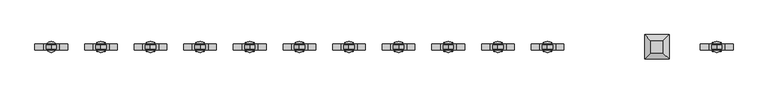
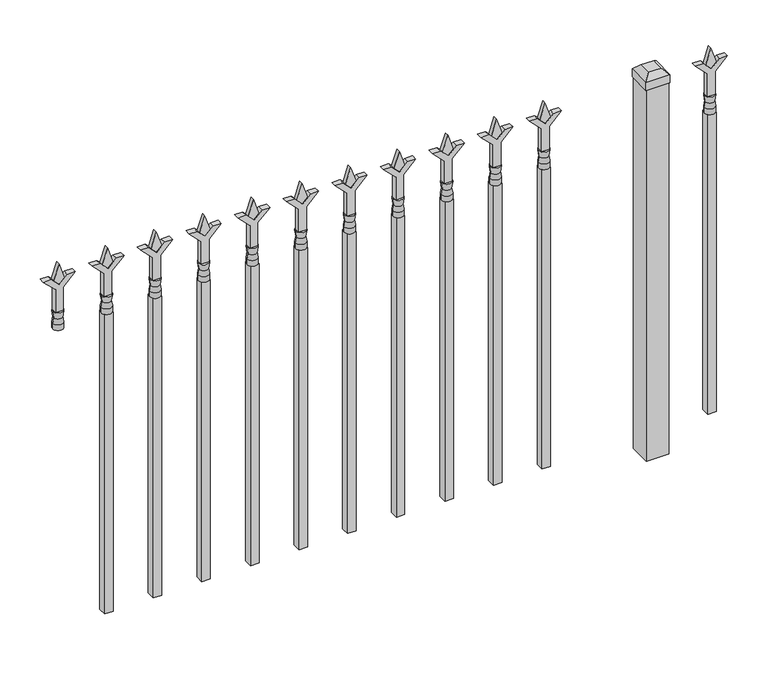
"""IFC4 building model written with IfcOpenShell, lengths in millimetres: railing geometry."""

from ifc_helpers import new_model, si_unit, frame, origin, origin_with_axes, place, context, project, spatial, polyline, circle_curve, outline, extrude, faceted_brep, source, transform, mapped, element, save
from ifc_brep_helpers import plane_surface, cylinder_surface, revolved_surface, advanced_brep


def railing_8058bad1(model_context):
    return source(origin(), model_context, "Body", "SolidModel", [
        extrude(outline(polyline([(878.68125, -90081.449337), (914.4, -90093.355587), (878.68125, -90105.261837), (866.775, -90093.355587), (878.68125, -90081.449337)])), frame((0.0, 5455.9804826, 0.0), z_axis=(0.0, 1.0, 0.0), x_axis=(0.0, 0.0, 1.0)), (0.0, 0.0, 1.0), 9.525),
        extrude(outline(polyline([(803.275, -90084.624337), (857.5457378, -90084.624337), (884.7355122, -90057.4345625), (884.7355122, -90075.3950747), (866.775, -90093.355587), (884.7355122, -90111.3160992), (884.7355122, -90129.2766114), (857.5457378, -90102.086837), (803.275, -90102.086837), (803.275, -90084.624337)])), frame((0.0, 5454.3929826, 0.0), z_axis=(0.0, 1.0, 0.0), x_axis=(0.0, 0.0, 1.0)), (0.0, 0.0, 1.0), 12.7),
        advanced_brep(
        [(-90081.449337, 5460.7429826, 774.7), (-90105.261837, 5460.7429826, 774.7), (-90105.261837, 5460.7429826, 762.0), (-90081.449337, 5460.7429826, 762.0), (-90083.6546688, 5460.7429826, 787.2070585), (-90103.0565051, 5460.7429826, 787.2070585), (-90081.449337, 5460.7429826, 803.275), (-90105.261837, 5460.7429826, 803.275), (-90093.355587, 5460.7429826, 803.275), (-90093.355587, 5460.7429826, 762.0)],
        [
            (0, 1, circle_curve(frame((-90093.355587, 5460.7429826, 774.7), z_axis=(0.0, 0.0, -1.0), x_axis=(-1.0, 0.0, 0.0)), 11.90625)),
            (1, 2),
            (2, 3, circle_curve(frame((-90093.355587, 5460.7429826, 762.0), z_axis=(0.0, 0.0, 1.0), x_axis=(-1.0, 0.0, 0.0)), 11.90625)),
            (3, 0),
            (1, 0, circle_curve(frame((-90093.355587, 5460.7429826, 774.7), z_axis=(0.0, 0.0, -1.0), x_axis=(-1.0, 0.0, 0.0)), 11.90625)),
            (3, 2, circle_curve(frame((-90093.355587, 5460.7429826, 762.0), z_axis=(0.0, 0.0, 1.0), x_axis=(-1.0, 0.0, 0.0)), 11.90625)),
            (4, 5, circle_curve(frame((-90093.355587, 5460.7429826, 787.2070585), z_axis=(0.0, 0.0, -1.0), x_axis=(-1.0, 0.0, 0.0)), 9.7009181)),
            (5, 1),
            (0, 4),
            (5, 4, circle_curve(frame((-90093.355587, 5460.7429826, 787.2070585), z_axis=(0.0, 0.0, -1.0), x_axis=(-1.0, 0.0, 0.0)), 9.7009181)),
            (6, 7, circle_curve(frame((-90093.355587, 5460.7429826, 803.275), z_axis=(0.0, 0.0, -1.0), x_axis=(-1.0, 0.0, 0.0)), 11.90625)),
            (7, 5),
            (4, 6),
            (7, 6, circle_curve(frame((-90093.355587, 5460.7429826, 803.275), z_axis=(0.0, 0.0, -1.0), x_axis=(-1.0, 0.0, 0.0)), 11.90625)),
            (8, 7),
            (6, 8),
            (2, 9),
            (9, 3),
        ],
        [
            cylinder_surface(frame((-90093.355587, 5460.7429826, 762.0), z_axis=(0.0, 0.0, 1.0), x_axis=(-1.0, 0.0, 0.0)), 11.90625),
            revolved_surface(polyline([(-90105.261837, 5460.7429826, 774.7), (-90103.0565051, 5460.7429826, 787.2070585)]), (-90093.355587, 5460.7429826, 762.0), (0.0, 0.0, 1.0)),
            revolved_surface(polyline([(-90103.0565051, 5460.7429826, 787.2070585), (-90105.261837, 5460.7429826, 803.275)]), (-90093.355587, 5460.7429826, 762.0), (0.0, 0.0, 1.0)),
            plane_surface(frame((-90093.355587, 5460.7429826, 803.275), z_axis=(0.0, 0.0, 1.0), x_axis=(-1.0, 0.0, 0.0))),
            plane_surface(frame((-90093.355587, 5460.7429826, 762.0), z_axis=(0.0, 0.0, -1.0), x_axis=(-1.0, 0.0, 0.0))),
        ],
        [
            (0, [[1, 2, 3, 4]]),
            (0, [[5, -4, 6, -2]]),
            (1, [[7, 8, -1, 9]]),
            (1, [[10, -9, -5, -8]]),
            (2, [[11, 12, -7, 13]]),
            (2, [[14, -13, -10, -12]]),
            (3, [[15, -11, 16]]),
            (3, [[-16, -14, -15]]),
            (4, [[-3, 17, 18]]),
            (4, [[-6, -18, -17]]),
        ],
    ),
        extrude(outline(polyline([(-90102.880587, 5470.2679826), (-90083.830587, 5470.2679826), (-90083.830587, 5451.2179826), (-90102.880587, 5451.2179826), (-90102.880587, 5470.2679826)])), frame((0.0, 0.0, 50.8), z_axis=(0.0, 0.0, 1.0), x_axis=(1.0, 0.0, 0.0)), (0.0, 0.0, 1.0), 711.2),
        faceted_brep([(-90252.105587, 5487.7304826, 901.7), (-90252.105587, 5487.7304826, 882.65), (-90252.105587, 5433.7554826, 882.65), (-90252.105587, 5433.7554826, 901.7), (-90239.405587, 5475.0304826, 914.4), (-90239.405587, 5446.4554826, 914.4), (-90198.130587, 5433.7554826, 882.65), (-90198.130587, 5433.7554826, 901.7), (-90210.830587, 5446.4554826, 914.4), (-90198.130587, 5487.7304826, 882.65), (-90198.130587, 5487.7304826, 901.7), (-90210.830587, 5475.0304826, 914.4)], [[[0, 1, 2, 3]], [[4, 0, 3, 5]], [[3, 2, 6, 7]], [[5, 3, 7, 8]], [[7, 6, 9, 10]], [[8, 7, 10, 11]], [[10, 9, 1, 0]], [[11, 10, 0, 4]], [[5, 8, 11, 4]], [[1, 9, 6, 2]]]),
        extrude(outline(polyline([(-90199.718087, 5486.1429826), (-90199.718087, 5435.3429826), (-90250.518087, 5435.3429826), (-90250.518087, 5486.1429826), (-90199.718087, 5486.1429826)])), origin_with_axes(), (0.0, 0.0, 1.0), 882.65),
        extrude(outline(polyline([(878.68125, -90454.2472536), (914.4, -90466.1535036), (878.68125, -90478.0597536), (866.775, -90466.1535036), (878.68125, -90454.2472536)])), frame((0.0, 5455.9804826, 0.0), z_axis=(0.0, 1.0, 0.0), x_axis=(0.0, 0.0, 1.0)), (0.0, 0.0, 1.0), 9.525),
        extrude(outline(polyline([(803.275, -90457.4222536), (857.5457378, -90457.4222536), (884.7355122, -90430.2324791), (884.7355122, -90448.1929914), (866.775, -90466.1535036), (884.7355122, -90484.1140159), (884.7355122, -90502.0745281), (857.5457378, -90474.8847536), (803.275, -90474.8847536), (803.275, -90457.4222536)])), frame((0.0, 5454.3929826, 0.0), z_axis=(0.0, 1.0, 0.0), x_axis=(0.0, 0.0, 1.0)), (0.0, 0.0, 1.0), 12.7),
        advanced_brep(
        [(-90454.2472536, 5460.7429826, 774.7), (-90478.0597536, 5460.7429826, 774.7), (-90478.0597536, 5460.7429826, 762.0), (-90454.2472536, 5460.7429826, 762.0), (-90456.4525855, 5460.7429826, 787.2070585), (-90475.8544218, 5460.7429826, 787.2070585), (-90454.2472536, 5460.7429826, 803.275), (-90478.0597536, 5460.7429826, 803.275), (-90466.1535036, 5460.7429826, 803.275), (-90466.1535036, 5460.7429826, 762.0)],
        [
            (0, 1, circle_curve(frame((-90466.1535036, 5460.7429826, 774.7), z_axis=(0.0, 0.0, -1.0), x_axis=(-1.0, 0.0, 0.0)), 11.90625)),
            (1, 2),
            (2, 3, circle_curve(frame((-90466.1535036, 5460.7429826, 762.0), z_axis=(0.0, 0.0, 1.0), x_axis=(-1.0, 0.0, 0.0)), 11.90625)),
            (3, 0),
            (1, 0, circle_curve(frame((-90466.1535036, 5460.7429826, 774.7), z_axis=(0.0, 0.0, -1.0), x_axis=(-1.0, 0.0, 0.0)), 11.90625)),
            (3, 2, circle_curve(frame((-90466.1535036, 5460.7429826, 762.0), z_axis=(0.0, 0.0, 1.0), x_axis=(-1.0, 0.0, 0.0)), 11.90625)),
            (4, 5, circle_curve(frame((-90466.1535036, 5460.7429826, 787.2070585), z_axis=(0.0, 0.0, -1.0), x_axis=(-1.0, 0.0, 0.0)), 9.7009181)),
            (5, 1),
            (0, 4),
            (5, 4, circle_curve(frame((-90466.1535036, 5460.7429826, 787.2070585), z_axis=(0.0, 0.0, -1.0), x_axis=(-1.0, 0.0, 0.0)), 9.7009181)),
            (6, 7, circle_curve(frame((-90466.1535036, 5460.7429826, 803.275), z_axis=(0.0, 0.0, -1.0), x_axis=(-1.0, 0.0, 0.0)), 11.90625)),
            (7, 5),
            (4, 6),
            (7, 6, circle_curve(frame((-90466.1535036, 5460.7429826, 803.275), z_axis=(0.0, 0.0, -1.0), x_axis=(-1.0, 0.0, 0.0)), 11.90625)),
            (8, 7),
            (6, 8),
            (2, 9),
            (9, 3),
        ],
        [
            cylinder_surface(frame((-90466.1535036, 5460.7429826, 762.0), z_axis=(0.0, 0.0, 1.0), x_axis=(-1.0, 0.0, 0.0)), 11.90625),
            revolved_surface(polyline([(-90478.0597536, 5460.7429826, 774.7), (-90475.8544218, 5460.7429826, 787.2070585)]), (-90466.1535036, 5460.7429826, 762.0), (0.0, 0.0, 1.0)),
            revolved_surface(polyline([(-90475.8544218, 5460.7429826, 787.2070585), (-90478.0597536, 5460.7429826, 803.275)]), (-90466.1535036, 5460.7429826, 762.0), (0.0, 0.0, 1.0)),
            plane_surface(frame((-90466.1535036, 5460.7429826, 803.275), z_axis=(0.0, 0.0, 1.0), x_axis=(-1.0, 0.0, 0.0))),
            plane_surface(frame((-90466.1535036, 5460.7429826, 762.0), z_axis=(0.0, 0.0, -1.0), x_axis=(-1.0, 0.0, 0.0))),
        ],
        [
            (0, [[1, 2, 3, 4]]),
            (0, [[5, -4, 6, -2]]),
            (1, [[7, 8, -1, 9]]),
            (1, [[10, -9, -5, -8]]),
            (2, [[11, 12, -7, 13]]),
            (2, [[14, -13, -10, -12]]),
            (3, [[15, -11, 16]]),
            (3, [[-16, -14, -15]]),
            (4, [[-3, 17, 18]]),
            (4, [[-6, -18, -17]]),
        ],
    ),
        extrude(outline(polyline([(-90475.6785036, 5470.2679826), (-90456.6285036, 5470.2679826), (-90456.6285036, 5451.2179826), (-90475.6785036, 5451.2179826), (-90475.6785036, 5470.2679826)])), frame((0.0, 0.0, 50.8), z_axis=(0.0, 0.0, 1.0), x_axis=(1.0, 0.0, 0.0)), (0.0, 0.0, 1.0), 711.2),
        extrude(outline(polyline([(878.68125, -90563.5201703), (914.4, -90575.4264203), (878.68125, -90587.3326703), (866.775, -90575.4264203), (878.68125, -90563.5201703)])), frame((0.0, 5455.9804826, 0.0), z_axis=(0.0, 1.0, 0.0), x_axis=(0.0, 0.0, 1.0)), (0.0, 0.0, 1.0), 9.525),
        extrude(outline(polyline([(803.275, -90566.6951703), (857.5457378, -90566.6951703), (884.7355122, -90539.5053958), (884.7355122, -90557.4659081), (866.775, -90575.4264203), (884.7355122, -90593.3869325), (884.7355122, -90611.3474448), (857.5457378, -90584.1576703), (803.275, -90584.1576703), (803.275, -90566.6951703)])), frame((0.0, 5454.3929826, 0.0), z_axis=(0.0, 1.0, 0.0), x_axis=(0.0, 0.0, 1.0)), (0.0, 0.0, 1.0), 12.7),
        advanced_brep(
        [(-90563.5201703, 5460.7429826, 774.7), (-90587.3326703, 5460.7429826, 774.7), (-90587.3326703, 5460.7429826, 762.0), (-90563.5201703, 5460.7429826, 762.0), (-90565.7255022, 5460.7429826, 787.2070585), (-90585.1273384, 5460.7429826, 787.2070585), (-90563.5201703, 5460.7429826, 803.275), (-90587.3326703, 5460.7429826, 803.275), (-90575.4264203, 5460.7429826, 803.275), (-90575.4264203, 5460.7429826, 762.0)],
        [
            (0, 1, circle_curve(frame((-90575.4264203, 5460.7429826, 774.7), z_axis=(0.0, 0.0, -1.0), x_axis=(-1.0, 0.0, 0.0)), 11.90625)),
            (1, 2),
            (2, 3, circle_curve(frame((-90575.4264203, 5460.7429826, 762.0), z_axis=(0.0, 0.0, 1.0), x_axis=(-1.0, 0.0, 0.0)), 11.90625)),
            (3, 0),
            (1, 0, circle_curve(frame((-90575.4264203, 5460.7429826, 774.7), z_axis=(0.0, 0.0, -1.0), x_axis=(-1.0, 0.0, 0.0)), 11.90625)),
            (3, 2, circle_curve(frame((-90575.4264203, 5460.7429826, 762.0), z_axis=(0.0, 0.0, 1.0), x_axis=(-1.0, 0.0, 0.0)), 11.90625)),
            (4, 5, circle_curve(frame((-90575.4264203, 5460.7429826, 787.2070585), z_axis=(0.0, 0.0, -1.0), x_axis=(-1.0, 0.0, 0.0)), 9.7009181)),
            (5, 1),
            (0, 4),
            (5, 4, circle_curve(frame((-90575.4264203, 5460.7429826, 787.2070585), z_axis=(0.0, 0.0, -1.0), x_axis=(-1.0, 0.0, 0.0)), 9.7009181)),
            (6, 7, circle_curve(frame((-90575.4264203, 5460.7429826, 803.275), z_axis=(0.0, 0.0, -1.0), x_axis=(-1.0, 0.0, 0.0)), 11.90625)),
            (7, 5),
            (4, 6),
            (7, 6, circle_curve(frame((-90575.4264203, 5460.7429826, 803.275), z_axis=(0.0, 0.0, -1.0), x_axis=(-1.0, 0.0, 0.0)), 11.90625)),
            (8, 7),
            (6, 8),
            (2, 9),
            (9, 3),
        ],
        [
            cylinder_surface(frame((-90575.4264203, 5460.7429826, 762.0), z_axis=(0.0, 0.0, 1.0), x_axis=(-1.0, 0.0, 0.0)), 11.90625),
            revolved_surface(polyline([(-90587.3326703, 5460.7429826, 774.7), (-90585.1273384, 5460.7429826, 787.2070585)]), (-90575.4264203, 5460.7429826, 762.0), (0.0, 0.0, 1.0)),
            revolved_surface(polyline([(-90585.1273384, 5460.7429826, 787.2070585), (-90587.3326703, 5460.7429826, 803.275)]), (-90575.4264203, 5460.7429826, 762.0), (0.0, 0.0, 1.0)),
            plane_surface(frame((-90575.4264203, 5460.7429826, 803.275), z_axis=(0.0, 0.0, 1.0), x_axis=(-1.0, 0.0, 0.0))),
            plane_surface(frame((-90575.4264203, 5460.7429826, 762.0), z_axis=(0.0, 0.0, -1.0), x_axis=(-1.0, 0.0, 0.0))),
        ],
        [
            (0, [[1, 2, 3, 4]]),
            (0, [[5, -4, 6, -2]]),
            (1, [[7, 8, -1, 9]]),
            (1, [[10, -9, -5, -8]]),
            (2, [[11, 12, -7, 13]]),
            (2, [[14, -13, -10, -12]]),
            (3, [[15, -11, 16]]),
            (3, [[-16, -14, -15]]),
            (4, [[-3, 17, 18]]),
            (4, [[-6, -18, -17]]),
        ],
    ),
        extrude(outline(polyline([(-90584.9514203, 5470.2679826), (-90565.9014203, 5470.2679826), (-90565.9014203, 5451.2179826), (-90584.9514203, 5451.2179826), (-90584.9514203, 5470.2679826)])), frame((0.0, 0.0, 50.8), z_axis=(0.0, 0.0, 1.0), x_axis=(1.0, 0.0, 0.0)), (0.0, 0.0, 1.0), 711.2),
        extrude(outline(polyline([(878.68125, -90672.793087), (914.4, -90684.699337), (878.68125, -90696.605587), (866.775, -90684.699337), (878.68125, -90672.793087)])), frame((0.0, 5455.9804826, 0.0), z_axis=(0.0, 1.0, 0.0), x_axis=(0.0, 0.0, 1.0)), (0.0, 0.0, 1.0), 9.525),
        extrude(outline(polyline([(803.275, -90675.968087), (857.5457378, -90675.968087), (884.7355122, -90648.7783125), (884.7355122, -90666.7388247), (866.775, -90684.699337), (884.7355122, -90702.6598492), (884.7355122, -90720.6203614), (857.5457378, -90693.430587), (803.275, -90693.430587), (803.275, -90675.968087)])), frame((0.0, 5454.3929826, 0.0), z_axis=(0.0, 1.0, 0.0), x_axis=(0.0, 0.0, 1.0)), (0.0, 0.0, 1.0), 12.7),
        advanced_brep(
        [(-90672.793087, 5460.7429826, 774.7), (-90696.605587, 5460.7429826, 774.7), (-90696.605587, 5460.7429826, 762.0), (-90672.793087, 5460.7429826, 762.0), (-90674.9984188, 5460.7429826, 787.2070585), (-90694.4002551, 5460.7429826, 787.2070585), (-90672.793087, 5460.7429826, 803.275), (-90696.605587, 5460.7429826, 803.275), (-90684.699337, 5460.7429826, 803.275), (-90684.699337, 5460.7429826, 762.0)],
        [
            (0, 1, circle_curve(frame((-90684.699337, 5460.7429826, 774.7), z_axis=(0.0, 0.0, -1.0), x_axis=(-1.0, 0.0, 0.0)), 11.90625)),
            (1, 2),
            (2, 3, circle_curve(frame((-90684.699337, 5460.7429826, 762.0), z_axis=(0.0, 0.0, 1.0), x_axis=(-1.0, 0.0, 0.0)), 11.90625)),
            (3, 0),
            (1, 0, circle_curve(frame((-90684.699337, 5460.7429826, 774.7), z_axis=(0.0, 0.0, -1.0), x_axis=(-1.0, 0.0, 0.0)), 11.90625)),
            (3, 2, circle_curve(frame((-90684.699337, 5460.7429826, 762.0), z_axis=(0.0, 0.0, 1.0), x_axis=(-1.0, 0.0, 0.0)), 11.90625)),
            (4, 5, circle_curve(frame((-90684.699337, 5460.7429826, 787.2070585), z_axis=(0.0, 0.0, -1.0), x_axis=(-1.0, 0.0, 0.0)), 9.7009181)),
            (5, 1),
            (0, 4),
            (5, 4, circle_curve(frame((-90684.699337, 5460.7429826, 787.2070585), z_axis=(0.0, 0.0, -1.0), x_axis=(-1.0, 0.0, 0.0)), 9.7009181)),
            (6, 7, circle_curve(frame((-90684.699337, 5460.7429826, 803.275), z_axis=(0.0, 0.0, -1.0), x_axis=(-1.0, 0.0, 0.0)), 11.90625)),
            (7, 5),
            (4, 6),
            (7, 6, circle_curve(frame((-90684.699337, 5460.7429826, 803.275), z_axis=(0.0, 0.0, -1.0), x_axis=(-1.0, 0.0, 0.0)), 11.90625)),
            (8, 7),
            (6, 8),
            (2, 9),
            (9, 3),
        ],
        [
            cylinder_surface(frame((-90684.699337, 5460.7429826, 762.0), z_axis=(0.0, 0.0, 1.0), x_axis=(-1.0, 0.0, 0.0)), 11.90625),
            revolved_surface(polyline([(-90696.605587, 5460.7429826, 774.7), (-90694.4002551, 5460.7429826, 787.2070585)]), (-90684.699337, 5460.7429826, 762.0), (0.0, 0.0, 1.0)),
            revolved_surface(polyline([(-90694.4002551, 5460.7429826, 787.2070585), (-90696.605587, 5460.7429826, 803.275)]), (-90684.699337, 5460.7429826, 762.0), (0.0, 0.0, 1.0)),
            plane_surface(frame((-90684.699337, 5460.7429826, 803.275), z_axis=(0.0, 0.0, 1.0), x_axis=(-1.0, 0.0, 0.0))),
            plane_surface(frame((-90684.699337, 5460.7429826, 762.0), z_axis=(0.0, 0.0, -1.0), x_axis=(-1.0, 0.0, 0.0))),
        ],
        [
            (0, [[1, 2, 3, 4]]),
            (0, [[5, -4, 6, -2]]),
            (1, [[7, 8, -1, 9]]),
            (1, [[10, -9, -5, -8]]),
            (2, [[11, 12, -7, 13]]),
            (2, [[14, -13, -10, -12]]),
            (3, [[15, -11, 16]]),
            (3, [[-16, -14, -15]]),
            (4, [[-3, 17, 18]]),
            (4, [[-6, -18, -17]]),
        ],
    ),
        extrude(outline(polyline([(-90694.224337, 5470.2679826), (-90675.174337, 5470.2679826), (-90675.174337, 5451.2179826), (-90694.224337, 5451.2179826), (-90694.224337, 5470.2679826)])), frame((0.0, 0.0, 50.8), z_axis=(0.0, 0.0, 1.0), x_axis=(1.0, 0.0, 0.0)), (0.0, 0.0, 1.0), 711.2),
        extrude(outline(polyline([(878.68125, -90782.0660036), (914.4, -90793.9722536), (878.68125, -90805.8785036), (866.775, -90793.9722536), (878.68125, -90782.0660036)])), frame((0.0, 5455.9804826, 0.0), z_axis=(0.0, 1.0, 0.0), x_axis=(0.0, 0.0, 1.0)), (0.0, 0.0, 1.0), 9.525),
        extrude(outline(polyline([(803.275, -90785.2410036), (857.5457378, -90785.2410036), (884.7355122, -90758.0512291), (884.7355122, -90776.0117414), (866.775, -90793.9722536), (884.7355122, -90811.9327659), (884.7355122, -90829.8932781), (857.5457378, -90802.7035036), (803.275, -90802.7035036), (803.275, -90785.2410036)])), frame((0.0, 5454.3929826, 0.0), z_axis=(0.0, 1.0, 0.0), x_axis=(0.0, 0.0, 1.0)), (0.0, 0.0, 1.0), 12.7),
        advanced_brep(
        [(-90782.0660036, 5460.7429826, 774.7), (-90805.8785036, 5460.7429826, 774.7), (-90805.8785036, 5460.7429826, 762.0), (-90782.0660036, 5460.7429826, 762.0), (-90784.2713355, 5460.7429826, 787.2070585), (-90803.6731718, 5460.7429826, 787.2070585), (-90782.0660036, 5460.7429826, 803.275), (-90805.8785036, 5460.7429826, 803.275), (-90793.9722536, 5460.7429826, 803.275), (-90793.9722536, 5460.7429826, 762.0)],
        [
            (0, 1, circle_curve(frame((-90793.9722536, 5460.7429826, 774.7), z_axis=(0.0, 0.0, -1.0), x_axis=(-1.0, 0.0, 0.0)), 11.90625)),
            (1, 2),
            (2, 3, circle_curve(frame((-90793.9722536, 5460.7429826, 762.0), z_axis=(0.0, 0.0, 1.0), x_axis=(-1.0, 0.0, 0.0)), 11.90625)),
            (3, 0),
            (1, 0, circle_curve(frame((-90793.9722536, 5460.7429826, 774.7), z_axis=(0.0, 0.0, -1.0), x_axis=(-1.0, 0.0, 0.0)), 11.90625)),
            (3, 2, circle_curve(frame((-90793.9722536, 5460.7429826, 762.0), z_axis=(0.0, 0.0, 1.0), x_axis=(-1.0, 0.0, 0.0)), 11.90625)),
            (4, 5, circle_curve(frame((-90793.9722536, 5460.7429826, 787.2070585), z_axis=(0.0, 0.0, -1.0), x_axis=(-1.0, 0.0, 0.0)), 9.7009181)),
            (5, 1),
            (0, 4),
            (5, 4, circle_curve(frame((-90793.9722536, 5460.7429826, 787.2070585), z_axis=(0.0, 0.0, -1.0), x_axis=(-1.0, 0.0, 0.0)), 9.7009181)),
            (6, 7, circle_curve(frame((-90793.9722536, 5460.7429826, 803.275), z_axis=(0.0, 0.0, -1.0), x_axis=(-1.0, 0.0, 0.0)), 11.90625)),
            (7, 5),
            (4, 6),
            (7, 6, circle_curve(frame((-90793.9722536, 5460.7429826, 803.275), z_axis=(0.0, 0.0, -1.0), x_axis=(-1.0, 0.0, 0.0)), 11.90625)),
            (8, 7),
            (6, 8),
            (2, 9),
            (9, 3),
        ],
        [
            cylinder_surface(frame((-90793.9722536, 5460.7429826, 762.0), z_axis=(0.0, 0.0, 1.0), x_axis=(-1.0, 0.0, 0.0)), 11.90625),
            revolved_surface(polyline([(-90805.8785036, 5460.7429826, 774.7), (-90803.6731718, 5460.7429826, 787.2070585)]), (-90793.9722536, 5460.7429826, 762.0), (0.0, 0.0, 1.0)),
            revolved_surface(polyline([(-90803.6731718, 5460.7429826, 787.2070585), (-90805.8785036, 5460.7429826, 803.275)]), (-90793.9722536, 5460.7429826, 762.0), (0.0, 0.0, 1.0)),
            plane_surface(frame((-90793.9722536, 5460.7429826, 803.275), z_axis=(0.0, 0.0, 1.0), x_axis=(-1.0, 0.0, 0.0))),
            plane_surface(frame((-90793.9722536, 5460.7429826, 762.0), z_axis=(0.0, 0.0, -1.0), x_axis=(-1.0, 0.0, 0.0))),
        ],
        [
            (0, [[1, 2, 3, 4]]),
            (0, [[5, -4, 6, -2]]),
            (1, [[7, 8, -1, 9]]),
            (1, [[10, -9, -5, -8]]),
            (2, [[11, 12, -7, 13]]),
            (2, [[14, -13, -10, -12]]),
            (3, [[15, -11, 16]]),
            (3, [[-16, -14, -15]]),
            (4, [[-3, 17, 18]]),
            (4, [[-6, -18, -17]]),
        ],
    ),
        extrude(outline(polyline([(-90803.4972536, 5470.2679826), (-90784.4472536, 5470.2679826), (-90784.4472536, 5451.2179826), (-90803.4972536, 5451.2179826), (-90803.4972536, 5470.2679826)])), frame((0.0, 0.0, 50.8), z_axis=(0.0, 0.0, 1.0), x_axis=(1.0, 0.0, 0.0)), (0.0, 0.0, 1.0), 711.2),
        extrude(outline(polyline([(878.68125, -90891.3389203), (914.4, -90903.2451703), (878.68125, -90915.1514203), (866.775, -90903.2451703), (878.68125, -90891.3389203)])), frame((0.0, 5455.9804826, 0.0), z_axis=(0.0, 1.0, 0.0), x_axis=(0.0, 0.0, 1.0)), (0.0, 0.0, 1.0), 9.525),
        extrude(outline(polyline([(803.275, -90894.5139203), (857.5457378, -90894.5139203), (884.7355122, -90867.3241458), (884.7355122, -90885.2846581), (866.775, -90903.2451703), (884.7355122, -90921.2056825), (884.7355122, -90939.1661948), (857.5457378, -90911.9764203), (803.275, -90911.9764203), (803.275, -90894.5139203)])), frame((0.0, 5454.3929826, 0.0), z_axis=(0.0, 1.0, 0.0), x_axis=(0.0, 0.0, 1.0)), (0.0, 0.0, 1.0), 12.7),
        advanced_brep(
        [(-90891.3389203, 5460.7429826, 774.7), (-90915.1514203, 5460.7429826, 774.7), (-90915.1514203, 5460.7429826, 762.0), (-90891.3389203, 5460.7429826, 762.0), (-90893.5442522, 5460.7429826, 787.2070585), (-90912.9460884, 5460.7429826, 787.2070585), (-90891.3389203, 5460.7429826, 803.275), (-90915.1514203, 5460.7429826, 803.275), (-90903.2451703, 5460.7429826, 803.275), (-90903.2451703, 5460.7429826, 762.0)],
        [
            (0, 1, circle_curve(frame((-90903.2451703, 5460.7429826, 774.7), z_axis=(0.0, 0.0, -1.0), x_axis=(-1.0, 0.0, 0.0)), 11.90625)),
            (1, 2),
            (2, 3, circle_curve(frame((-90903.2451703, 5460.7429826, 762.0), z_axis=(0.0, 0.0, 1.0), x_axis=(-1.0, 0.0, 0.0)), 11.90625)),
            (3, 0),
            (1, 0, circle_curve(frame((-90903.2451703, 5460.7429826, 774.7), z_axis=(0.0, 0.0, -1.0), x_axis=(-1.0, 0.0, 0.0)), 11.90625)),
            (3, 2, circle_curve(frame((-90903.2451703, 5460.7429826, 762.0), z_axis=(0.0, 0.0, 1.0), x_axis=(-1.0, 0.0, 0.0)), 11.90625)),
            (4, 5, circle_curve(frame((-90903.2451703, 5460.7429826, 787.2070585), z_axis=(0.0, 0.0, -1.0), x_axis=(-1.0, 0.0, 0.0)), 9.7009181)),
            (5, 1),
            (0, 4),
            (5, 4, circle_curve(frame((-90903.2451703, 5460.7429826, 787.2070585), z_axis=(0.0, 0.0, -1.0), x_axis=(-1.0, 0.0, 0.0)), 9.7009181)),
            (6, 7, circle_curve(frame((-90903.2451703, 5460.7429826, 803.275), z_axis=(0.0, 0.0, -1.0), x_axis=(-1.0, 0.0, 0.0)), 11.90625)),
            (7, 5),
            (4, 6),
            (7, 6, circle_curve(frame((-90903.2451703, 5460.7429826, 803.275), z_axis=(0.0, 0.0, -1.0), x_axis=(-1.0, 0.0, 0.0)), 11.90625)),
            (8, 7),
            (6, 8),
            (2, 9),
            (9, 3),
        ],
        [
            cylinder_surface(frame((-90903.2451703, 5460.7429826, 762.0), z_axis=(0.0, 0.0, 1.0), x_axis=(-1.0, 0.0, 0.0)), 11.90625),
            revolved_surface(polyline([(-90915.1514203, 5460.7429826, 774.7), (-90912.9460884, 5460.7429826, 787.2070585)]), (-90903.2451703, 5460.7429826, 762.0), (0.0, 0.0, 1.0)),
            revolved_surface(polyline([(-90912.9460884, 5460.7429826, 787.2070585), (-90915.1514203, 5460.7429826, 803.275)]), (-90903.2451703, 5460.7429826, 762.0), (0.0, 0.0, 1.0)),
            plane_surface(frame((-90903.2451703, 5460.7429826, 803.275), z_axis=(0.0, 0.0, 1.0), x_axis=(-1.0, 0.0, 0.0))),
            plane_surface(frame((-90903.2451703, 5460.7429826, 762.0), z_axis=(0.0, 0.0, -1.0), x_axis=(-1.0, 0.0, 0.0))),
        ],
        [
            (0, [[1, 2, 3, 4]]),
            (0, [[5, -4, 6, -2]]),
            (1, [[7, 8, -1, 9]]),
            (1, [[10, -9, -5, -8]]),
            (2, [[11, 12, -7, 13]]),
            (2, [[14, -13, -10, -12]]),
            (3, [[15, -11, 16]]),
            (3, [[-16, -14, -15]]),
            (4, [[-3, 17, 18]]),
            (4, [[-6, -18, -17]]),
        ],
    ),
        extrude(outline(polyline([(-90912.7701703, 5470.2679826), (-90893.7201703, 5470.2679826), (-90893.7201703, 5451.2179826), (-90912.7701703, 5451.2179826), (-90912.7701703, 5470.2679826)])), frame((0.0, 0.0, 50.8), z_axis=(0.0, 0.0, 1.0), x_axis=(1.0, 0.0, 0.0)), (0.0, 0.0, 1.0), 711.2),
        extrude(outline(polyline([(878.68125, -91000.611837), (914.4, -91012.518087), (878.68125, -91024.424337), (866.775, -91012.518087), (878.68125, -91000.611837)])), frame((0.0, 5455.9804826, 0.0), z_axis=(0.0, 1.0, 0.0), x_axis=(0.0, 0.0, 1.0)), (0.0, 0.0, 1.0), 9.525),
        extrude(outline(polyline([(803.275, -91003.786837), (857.5457378, -91003.786837), (884.7355122, -90976.5970625), (884.7355122, -90994.5575747), (866.775, -91012.518087), (884.7355122, -91030.4785992), (884.7355122, -91048.4391114), (857.5457378, -91021.249337), (803.275, -91021.249337), (803.275, -91003.786837)])), frame((0.0, 5454.3929826, 0.0), z_axis=(0.0, 1.0, 0.0), x_axis=(0.0, 0.0, 1.0)), (0.0, 0.0, 1.0), 12.7),
        advanced_brep(
        [(-91000.611837, 5460.7429826, 774.7), (-91024.424337, 5460.7429826, 774.7), (-91024.424337, 5460.7429826, 762.0), (-91000.611837, 5460.7429826, 762.0), (-91002.8171688, 5460.7429826, 787.2070585), (-91022.2190051, 5460.7429826, 787.2070585), (-91000.611837, 5460.7429826, 803.275), (-91024.424337, 5460.7429826, 803.275), (-91012.518087, 5460.7429826, 803.275), (-91012.518087, 5460.7429826, 762.0)],
        [
            (0, 1, circle_curve(frame((-91012.518087, 5460.7429826, 774.7), z_axis=(0.0, 0.0, -1.0), x_axis=(-1.0, 0.0, 0.0)), 11.90625)),
            (1, 2),
            (2, 3, circle_curve(frame((-91012.518087, 5460.7429826, 762.0), z_axis=(0.0, 0.0, 1.0), x_axis=(-1.0, 0.0, 0.0)), 11.90625)),
            (3, 0),
            (1, 0, circle_curve(frame((-91012.518087, 5460.7429826, 774.7), z_axis=(0.0, 0.0, -1.0), x_axis=(-1.0, 0.0, 0.0)), 11.90625)),
            (3, 2, circle_curve(frame((-91012.518087, 5460.7429826, 762.0), z_axis=(0.0, 0.0, 1.0), x_axis=(-1.0, 0.0, 0.0)), 11.90625)),
            (4, 5, circle_curve(frame((-91012.518087, 5460.7429826, 787.2070585), z_axis=(0.0, 0.0, -1.0), x_axis=(-1.0, 0.0, 0.0)), 9.7009181)),
            (5, 1),
            (0, 4),
            (5, 4, circle_curve(frame((-91012.518087, 5460.7429826, 787.2070585), z_axis=(0.0, 0.0, -1.0), x_axis=(-1.0, 0.0, 0.0)), 9.7009181)),
            (6, 7, circle_curve(frame((-91012.518087, 5460.7429826, 803.275), z_axis=(0.0, 0.0, -1.0), x_axis=(-1.0, 0.0, 0.0)), 11.90625)),
            (7, 5),
            (4, 6),
            (7, 6, circle_curve(frame((-91012.518087, 5460.7429826, 803.275), z_axis=(0.0, 0.0, -1.0), x_axis=(-1.0, 0.0, 0.0)), 11.90625)),
            (8, 7),
            (6, 8),
            (2, 9),
            (9, 3),
        ],
        [
            cylinder_surface(frame((-91012.518087, 5460.7429826, 762.0), z_axis=(0.0, 0.0, 1.0), x_axis=(-1.0, 0.0, 0.0)), 11.90625),
            revolved_surface(polyline([(-91024.424337, 5460.7429826, 774.7), (-91022.2190051, 5460.7429826, 787.2070585)]), (-91012.518087, 5460.7429826, 762.0), (0.0, 0.0, 1.0)),
            revolved_surface(polyline([(-91022.2190051, 5460.7429826, 787.2070585), (-91024.424337, 5460.7429826, 803.275)]), (-91012.518087, 5460.7429826, 762.0), (0.0, 0.0, 1.0)),
            plane_surface(frame((-91012.518087, 5460.7429826, 803.275), z_axis=(0.0, 0.0, 1.0), x_axis=(-1.0, 0.0, 0.0))),
            plane_surface(frame((-91012.518087, 5460.7429826, 762.0), z_axis=(0.0, 0.0, -1.0), x_axis=(-1.0, 0.0, 0.0))),
        ],
        [
            (0, [[1, 2, 3, 4]]),
            (0, [[5, -4, 6, -2]]),
            (1, [[7, 8, -1, 9]]),
            (1, [[10, -9, -5, -8]]),
            (2, [[11, 12, -7, 13]]),
            (2, [[14, -13, -10, -12]]),
            (3, [[15, -11, 16]]),
            (3, [[-16, -14, -15]]),
            (4, [[-3, 17, 18]]),
            (4, [[-6, -18, -17]]),
        ],
    ),
        extrude(outline(polyline([(-91022.043087, 5470.2679826), (-91002.993087, 5470.2679826), (-91002.993087, 5451.2179826), (-91022.043087, 5451.2179826), (-91022.043087, 5470.2679826)])), frame((0.0, 0.0, 50.8), z_axis=(0.0, 0.0, 1.0), x_axis=(1.0, 0.0, 0.0)), (0.0, 0.0, 1.0), 711.2),
        extrude(outline(polyline([(878.68125, -91109.8847536), (914.4, -91121.7910036), (878.68125, -91133.6972536), (866.775, -91121.7910036), (878.68125, -91109.8847536)])), frame((0.0, 5455.9804826, 0.0), z_axis=(0.0, 1.0, 0.0), x_axis=(0.0, 0.0, 1.0)), (0.0, 0.0, 1.0), 9.525),
        extrude(outline(polyline([(803.275, -91113.0597536), (857.5457378, -91113.0597536), (884.7355122, -91085.8699791), (884.7355122, -91103.8304914), (866.775, -91121.7910036), (884.7355122, -91139.7515159), (884.7355122, -91157.7120281), (857.5457378, -91130.5222536), (803.275, -91130.5222536), (803.275, -91113.0597536)])), frame((0.0, 5454.3929826, 0.0), z_axis=(0.0, 1.0, 0.0), x_axis=(0.0, 0.0, 1.0)), (0.0, 0.0, 1.0), 12.7),
        advanced_brep(
        [(-91109.8847536, 5460.7429826, 774.7), (-91133.6972536, 5460.7429826, 774.7), (-91133.6972536, 5460.7429826, 762.0), (-91109.8847536, 5460.7429826, 762.0), (-91112.0900855, 5460.7429826, 787.2070585), (-91131.4919218, 5460.7429826, 787.2070585), (-91109.8847536, 5460.7429826, 803.275), (-91133.6972536, 5460.7429826, 803.275), (-91121.7910036, 5460.7429826, 803.275), (-91121.7910036, 5460.7429826, 762.0)],
        [
            (0, 1, circle_curve(frame((-91121.7910036, 5460.7429826, 774.7), z_axis=(0.0, 0.0, -1.0), x_axis=(-1.0, 0.0, 0.0)), 11.90625)),
            (1, 2),
            (2, 3, circle_curve(frame((-91121.7910036, 5460.7429826, 762.0), z_axis=(0.0, 0.0, 1.0), x_axis=(-1.0, 0.0, 0.0)), 11.90625)),
            (3, 0),
            (1, 0, circle_curve(frame((-91121.7910036, 5460.7429826, 774.7), z_axis=(0.0, 0.0, -1.0), x_axis=(-1.0, 0.0, 0.0)), 11.90625)),
            (3, 2, circle_curve(frame((-91121.7910036, 5460.7429826, 762.0), z_axis=(0.0, 0.0, 1.0), x_axis=(-1.0, 0.0, 0.0)), 11.90625)),
            (4, 5, circle_curve(frame((-91121.7910036, 5460.7429826, 787.2070585), z_axis=(0.0, 0.0, -1.0), x_axis=(-1.0, 0.0, 0.0)), 9.7009181)),
            (5, 1),
            (0, 4),
            (5, 4, circle_curve(frame((-91121.7910036, 5460.7429826, 787.2070585), z_axis=(0.0, 0.0, -1.0), x_axis=(-1.0, 0.0, 0.0)), 9.7009181)),
            (6, 7, circle_curve(frame((-91121.7910036, 5460.7429826, 803.275), z_axis=(0.0, 0.0, -1.0), x_axis=(-1.0, 0.0, 0.0)), 11.90625)),
            (7, 5),
            (4, 6),
            (7, 6, circle_curve(frame((-91121.7910036, 5460.7429826, 803.275), z_axis=(0.0, 0.0, -1.0), x_axis=(-1.0, 0.0, 0.0)), 11.90625)),
            (8, 7),
            (6, 8),
            (2, 9),
            (9, 3),
        ],
        [
            cylinder_surface(frame((-91121.7910036, 5460.7429826, 762.0), z_axis=(0.0, 0.0, 1.0), x_axis=(-1.0, 0.0, 0.0)), 11.90625),
            revolved_surface(polyline([(-91133.6972536, 5460.7429826, 774.7), (-91131.4919218, 5460.7429826, 787.2070585)]), (-91121.7910036, 5460.7429826, 762.0), (0.0, 0.0, 1.0)),
            revolved_surface(polyline([(-91131.4919218, 5460.7429826, 787.2070585), (-91133.6972536, 5460.7429826, 803.275)]), (-91121.7910036, 5460.7429826, 762.0), (0.0, 0.0, 1.0)),
            plane_surface(frame((-91121.7910036, 5460.7429826, 803.275), z_axis=(0.0, 0.0, 1.0), x_axis=(-1.0, 0.0, 0.0))),
            plane_surface(frame((-91121.7910036, 5460.7429826, 762.0), z_axis=(0.0, 0.0, -1.0), x_axis=(-1.0, 0.0, 0.0))),
        ],
        [
            (0, [[1, 2, 3, 4]]),
            (0, [[5, -4, 6, -2]]),
            (1, [[7, 8, -1, 9]]),
            (1, [[10, -9, -5, -8]]),
            (2, [[11, 12, -7, 13]]),
            (2, [[14, -13, -10, -12]]),
            (3, [[15, -11, 16]]),
            (3, [[-16, -14, -15]]),
            (4, [[-3, 17, 18]]),
            (4, [[-6, -18, -17]]),
        ],
    ),
        extrude(outline(polyline([(-91131.3160036, 5470.2679826), (-91112.2660036, 5470.2679826), (-91112.2660036, 5451.2179826), (-91131.3160036, 5451.2179826), (-91131.3160036, 5470.2679826)])), frame((0.0, 0.0, 50.8), z_axis=(0.0, 0.0, 1.0), x_axis=(1.0, 0.0, 0.0)), (0.0, 0.0, 1.0), 711.2),
        extrude(outline(polyline([(878.68125, -91219.1576703), (914.4, -91231.0639203), (878.68125, -91242.9701703), (866.775, -91231.0639203), (878.68125, -91219.1576703)])), frame((0.0, 5455.9804826, 0.0), z_axis=(0.0, 1.0, 0.0), x_axis=(0.0, 0.0, 1.0)), (0.0, 0.0, 1.0), 9.525),
        extrude(outline(polyline([(803.275, -91222.3326703), (857.5457378, -91222.3326703), (884.7355122, -91195.1428958), (884.7355122, -91213.1034081), (866.775, -91231.0639203), (884.7355122, -91249.0244325), (884.7355122, -91266.9849448), (857.5457378, -91239.7951703), (803.275, -91239.7951703), (803.275, -91222.3326703)])), frame((0.0, 5454.3929826, 0.0), z_axis=(0.0, 1.0, 0.0), x_axis=(0.0, 0.0, 1.0)), (0.0, 0.0, 1.0), 12.7),
        advanced_brep(
        [(-91219.1576703, 5460.7429826, 774.7), (-91242.9701703, 5460.7429826, 774.7), (-91242.9701703, 5460.7429826, 762.0), (-91219.1576703, 5460.7429826, 762.0), (-91221.3630022, 5460.7429826, 787.2070585), (-91240.7648384, 5460.7429826, 787.2070585), (-91219.1576703, 5460.7429826, 803.275), (-91242.9701703, 5460.7429826, 803.275), (-91231.0639203, 5460.7429826, 803.275), (-91231.0639203, 5460.7429826, 762.0)],
        [
            (0, 1, circle_curve(frame((-91231.0639203, 5460.7429826, 774.7), z_axis=(0.0, 0.0, -1.0), x_axis=(-1.0, 0.0, 0.0)), 11.90625)),
            (1, 2),
            (2, 3, circle_curve(frame((-91231.0639203, 5460.7429826, 762.0), z_axis=(0.0, 0.0, 1.0), x_axis=(-1.0, 0.0, 0.0)), 11.90625)),
            (3, 0),
            (1, 0, circle_curve(frame((-91231.0639203, 5460.7429826, 774.7), z_axis=(0.0, 0.0, -1.0), x_axis=(-1.0, 0.0, 0.0)), 11.90625)),
            (3, 2, circle_curve(frame((-91231.0639203, 5460.7429826, 762.0), z_axis=(0.0, 0.0, 1.0), x_axis=(-1.0, 0.0, 0.0)), 11.90625)),
            (4, 5, circle_curve(frame((-91231.0639203, 5460.7429826, 787.2070585), z_axis=(0.0, 0.0, -1.0), x_axis=(-1.0, 0.0, 0.0)), 9.7009181)),
            (5, 1),
            (0, 4),
            (5, 4, circle_curve(frame((-91231.0639203, 5460.7429826, 787.2070585), z_axis=(0.0, 0.0, -1.0), x_axis=(-1.0, 0.0, 0.0)), 9.7009181)),
            (6, 7, circle_curve(frame((-91231.0639203, 5460.7429826, 803.275), z_axis=(0.0, 0.0, -1.0), x_axis=(-1.0, 0.0, 0.0)), 11.90625)),
            (7, 5),
            (4, 6),
            (7, 6, circle_curve(frame((-91231.0639203, 5460.7429826, 803.275), z_axis=(0.0, 0.0, -1.0), x_axis=(-1.0, 0.0, 0.0)), 11.90625)),
            (8, 7),
            (6, 8),
            (2, 9),
            (9, 3),
        ],
        [
            cylinder_surface(frame((-91231.0639203, 5460.7429826, 762.0), z_axis=(0.0, 0.0, 1.0), x_axis=(-1.0, 0.0, 0.0)), 11.90625),
            revolved_surface(polyline([(-91242.9701703, 5460.7429826, 774.7), (-91240.7648384, 5460.7429826, 787.2070585)]), (-91231.0639203, 5460.7429826, 762.0), (0.0, 0.0, 1.0)),
            revolved_surface(polyline([(-91240.7648384, 5460.7429826, 787.2070585), (-91242.9701703, 5460.7429826, 803.275)]), (-91231.0639203, 5460.7429826, 762.0), (0.0, 0.0, 1.0)),
            plane_surface(frame((-91231.0639203, 5460.7429826, 803.275), z_axis=(0.0, 0.0, 1.0), x_axis=(-1.0, 0.0, 0.0))),
            plane_surface(frame((-91231.0639203, 5460.7429826, 762.0), z_axis=(0.0, 0.0, -1.0), x_axis=(-1.0, 0.0, 0.0))),
        ],
        [
            (0, [[1, 2, 3, 4]]),
            (0, [[5, -4, 6, -2]]),
            (1, [[7, 8, -1, 9]]),
            (1, [[10, -9, -5, -8]]),
            (2, [[11, 12, -7, 13]]),
            (2, [[14, -13, -10, -12]]),
            (3, [[15, -11, 16]]),
            (3, [[-16, -14, -15]]),
            (4, [[-3, 17, 18]]),
            (4, [[-6, -18, -17]]),
        ],
    ),
        extrude(outline(polyline([(-91240.5889203, 5470.2679826), (-91221.5389203, 5470.2679826), (-91221.5389203, 5451.2179826), (-91240.5889203, 5451.2179826), (-91240.5889203, 5470.2679826)])), frame((0.0, 0.0, 50.8), z_axis=(0.0, 0.0, 1.0), x_axis=(1.0, 0.0, 0.0)), (0.0, 0.0, 1.0), 711.2),
        extrude(outline(polyline([(878.68125, -91328.430587), (914.4, -91340.336837), (878.68125, -91352.243087), (866.775, -91340.336837), (878.68125, -91328.430587)])), frame((0.0, 5455.9804826, 0.0), z_axis=(0.0, 1.0, 0.0), x_axis=(0.0, 0.0, 1.0)), (0.0, 0.0, 1.0), 9.525),
        extrude(outline(polyline([(803.275, -91331.605587), (857.5457378, -91331.605587), (884.7355122, -91304.4158125), (884.7355122, -91322.3763247), (866.775, -91340.336837), (884.7355122, -91358.2973492), (884.7355122, -91376.2578614), (857.5457378, -91349.068087), (803.275, -91349.068087), (803.275, -91331.605587)])), frame((0.0, 5454.3929826, 0.0), z_axis=(0.0, 1.0, 0.0), x_axis=(0.0, 0.0, 1.0)), (0.0, 0.0, 1.0), 12.7),
        advanced_brep(
        [(-91328.430587, 5460.7429826, 774.7), (-91352.243087, 5460.7429826, 774.7), (-91352.243087, 5460.7429826, 762.0), (-91328.430587, 5460.7429826, 762.0), (-91330.6359188, 5460.7429826, 787.2070585), (-91350.0377551, 5460.7429826, 787.2070585), (-91328.430587, 5460.7429826, 803.275), (-91352.243087, 5460.7429826, 803.275), (-91340.336837, 5460.7429826, 803.275), (-91340.336837, 5460.7429826, 762.0)],
        [
            (0, 1, circle_curve(frame((-91340.336837, 5460.7429826, 774.7), z_axis=(0.0, 0.0, -1.0), x_axis=(-1.0, 0.0, 0.0)), 11.90625)),
            (1, 2),
            (2, 3, circle_curve(frame((-91340.336837, 5460.7429826, 762.0), z_axis=(0.0, 0.0, 1.0), x_axis=(-1.0, 0.0, 0.0)), 11.90625)),
            (3, 0),
            (1, 0, circle_curve(frame((-91340.336837, 5460.7429826, 774.7), z_axis=(0.0, 0.0, -1.0), x_axis=(-1.0, 0.0, 0.0)), 11.90625)),
            (3, 2, circle_curve(frame((-91340.336837, 5460.7429826, 762.0), z_axis=(0.0, 0.0, 1.0), x_axis=(-1.0, 0.0, 0.0)), 11.90625)),
            (4, 5, circle_curve(frame((-91340.336837, 5460.7429826, 787.2070585), z_axis=(0.0, 0.0, -1.0), x_axis=(-1.0, 0.0, 0.0)), 9.7009181)),
            (5, 1),
            (0, 4),
            (5, 4, circle_curve(frame((-91340.336837, 5460.7429826, 787.2070585), z_axis=(0.0, 0.0, -1.0), x_axis=(-1.0, 0.0, 0.0)), 9.7009181)),
            (6, 7, circle_curve(frame((-91340.336837, 5460.7429826, 803.275), z_axis=(0.0, 0.0, -1.0), x_axis=(-1.0, 0.0, 0.0)), 11.90625)),
            (7, 5),
            (4, 6),
            (7, 6, circle_curve(frame((-91340.336837, 5460.7429826, 803.275), z_axis=(0.0, 0.0, -1.0), x_axis=(-1.0, 0.0, 0.0)), 11.90625)),
            (8, 7),
            (6, 8),
            (2, 9),
            (9, 3),
        ],
        [
            cylinder_surface(frame((-91340.336837, 5460.7429826, 762.0), z_axis=(0.0, 0.0, 1.0), x_axis=(-1.0, 0.0, 0.0)), 11.90625),
            revolved_surface(polyline([(-91352.243087, 5460.7429826, 774.7), (-91350.0377551, 5460.7429826, 787.2070585)]), (-91340.336837, 5460.7429826, 762.0), (0.0, 0.0, 1.0)),
            revolved_surface(polyline([(-91350.0377551, 5460.7429826, 787.2070585), (-91352.243087, 5460.7429826, 803.275)]), (-91340.336837, 5460.7429826, 762.0), (0.0, 0.0, 1.0)),
            plane_surface(frame((-91340.336837, 5460.7429826, 803.275), z_axis=(0.0, 0.0, 1.0), x_axis=(-1.0, 0.0, 0.0))),
            plane_surface(frame((-91340.336837, 5460.7429826, 762.0), z_axis=(0.0, 0.0, -1.0), x_axis=(-1.0, 0.0, 0.0))),
        ],
        [
            (0, [[1, 2, 3, 4]]),
            (0, [[5, -4, 6, -2]]),
            (1, [[7, 8, -1, 9]]),
            (1, [[10, -9, -5, -8]]),
            (2, [[11, 12, -7, 13]]),
            (2, [[14, -13, -10, -12]]),
            (3, [[15, -11, 16]]),
            (3, [[-16, -14, -15]]),
            (4, [[-3, 17, 18]]),
            (4, [[-6, -18, -17]]),
        ],
    ),
        extrude(outline(polyline([(-91349.861837, 5470.2679826), (-91330.811837, 5470.2679826), (-91330.811837, 5451.2179826), (-91349.861837, 5451.2179826), (-91349.861837, 5470.2679826)])), frame((0.0, 0.0, 50.8), z_axis=(0.0, 0.0, 1.0), x_axis=(1.0, 0.0, 0.0)), (0.0, 0.0, 1.0), 711.2),
        extrude(outline(polyline([(878.68125, -91437.7035036), (914.4, -91449.6097536), (878.68125, -91461.5160036), (866.775, -91449.6097536), (878.68125, -91437.7035036)])), frame((0.0, 5455.9804826, 0.0), z_axis=(0.0, 1.0, 0.0), x_axis=(0.0, 0.0, 1.0)), (0.0, 0.0, 1.0), 9.525),
        extrude(outline(polyline([(803.275, -91440.8785036), (857.5457378, -91440.8785036), (884.7355122, -91413.6887291), (884.7355122, -91431.6492414), (866.775, -91449.6097536), (884.7355122, -91467.5702659), (884.7355122, -91485.5307781), (857.5457378, -91458.3410036), (803.275, -91458.3410036), (803.275, -91440.8785036)])), frame((0.0, 5454.3929826, 0.0), z_axis=(0.0, 1.0, 0.0), x_axis=(0.0, 0.0, 1.0)), (0.0, 0.0, 1.0), 12.7),
        advanced_brep(
        [(-91437.7035036, 5460.7429826, 774.7), (-91461.5160036, 5460.7429826, 774.7), (-91461.5160036, 5460.7429826, 762.0), (-91437.7035036, 5460.7429826, 762.0), (-91439.9088355, 5460.7429826, 787.2070585), (-91459.3106718, 5460.7429826, 787.2070585), (-91437.7035036, 5460.7429826, 803.275), (-91461.5160036, 5460.7429826, 803.275), (-91449.6097536, 5460.7429826, 803.275), (-91449.6097536, 5460.7429826, 762.0)],
        [
            (0, 1, circle_curve(frame((-91449.6097536, 5460.7429826, 774.7), z_axis=(0.0, 0.0, -1.0), x_axis=(-1.0, 0.0, 0.0)), 11.90625)),
            (1, 2),
            (2, 3, circle_curve(frame((-91449.6097536, 5460.7429826, 762.0), z_axis=(0.0, 0.0, 1.0), x_axis=(-1.0, 0.0, 0.0)), 11.90625)),
            (3, 0),
            (1, 0, circle_curve(frame((-91449.6097536, 5460.7429826, 774.7), z_axis=(0.0, 0.0, -1.0), x_axis=(-1.0, 0.0, 0.0)), 11.90625)),
            (3, 2, circle_curve(frame((-91449.6097536, 5460.7429826, 762.0), z_axis=(0.0, 0.0, 1.0), x_axis=(-1.0, 0.0, 0.0)), 11.90625)),
            (4, 5, circle_curve(frame((-91449.6097536, 5460.7429826, 787.2070585), z_axis=(0.0, 0.0, -1.0), x_axis=(-1.0, 0.0, 0.0)), 9.7009181)),
            (5, 1),
            (0, 4),
            (5, 4, circle_curve(frame((-91449.6097536, 5460.7429826, 787.2070585), z_axis=(0.0, 0.0, -1.0), x_axis=(-1.0, 0.0, 0.0)), 9.7009181)),
            (6, 7, circle_curve(frame((-91449.6097536, 5460.7429826, 803.275), z_axis=(0.0, 0.0, -1.0), x_axis=(-1.0, 0.0, 0.0)), 11.90625)),
            (7, 5),
            (4, 6),
            (7, 6, circle_curve(frame((-91449.6097536, 5460.7429826, 803.275), z_axis=(0.0, 0.0, -1.0), x_axis=(-1.0, 0.0, 0.0)), 11.90625)),
            (8, 7),
            (6, 8),
            (2, 9),
            (9, 3),
        ],
        [
            cylinder_surface(frame((-91449.6097536, 5460.7429826, 762.0), z_axis=(0.0, 0.0, 1.0), x_axis=(-1.0, 0.0, 0.0)), 11.90625),
            revolved_surface(polyline([(-91461.5160036, 5460.7429826, 774.7), (-91459.3106718, 5460.7429826, 787.2070585)]), (-91449.6097536, 5460.7429826, 762.0), (0.0, 0.0, 1.0)),
            revolved_surface(polyline([(-91459.3106718, 5460.7429826, 787.2070585), (-91461.5160036, 5460.7429826, 803.275)]), (-91449.6097536, 5460.7429826, 762.0), (0.0, 0.0, 1.0)),
            plane_surface(frame((-91449.6097536, 5460.7429826, 803.275), z_axis=(0.0, 0.0, 1.0), x_axis=(-1.0, 0.0, 0.0))),
            plane_surface(frame((-91449.6097536, 5460.7429826, 762.0), z_axis=(0.0, 0.0, -1.0), x_axis=(-1.0, 0.0, 0.0))),
        ],
        [
            (0, [[1, 2, 3, 4]]),
            (0, [[5, -4, 6, -2]]),
            (1, [[7, 8, -1, 9]]),
            (1, [[10, -9, -5, -8]]),
            (2, [[11, 12, -7, 13]]),
            (2, [[14, -13, -10, -12]]),
            (3, [[15, -11, 16]]),
            (3, [[-16, -14, -15]]),
            (4, [[-3, 17, 18]]),
            (4, [[-6, -18, -17]]),
        ],
    ),
        extrude(outline(polyline([(-91459.1347536, 5470.2679826), (-91440.0847536, 5470.2679826), (-91440.0847536, 5451.2179826), (-91459.1347536, 5451.2179826), (-91459.1347536, 5470.2679826)])), frame((0.0, 0.0, 50.8), z_axis=(0.0, 0.0, 1.0), x_axis=(1.0, 0.0, 0.0)), (0.0, 0.0, 1.0), 711.2),
        extrude(outline(polyline([(878.68125, -91546.9764203), (914.4, -91558.8826703), (878.68125, -91570.7889203), (866.775, -91558.8826703), (878.68125, -91546.9764203)])), frame((0.0, 5455.9804826, 0.0), z_axis=(0.0, 1.0, 0.0), x_axis=(0.0, 0.0, 1.0)), (0.0, 0.0, 1.0), 9.525),
        extrude(outline(polyline([(803.275, -91550.1514203), (857.5457378, -91550.1514203), (884.7355122, -91522.9616458), (884.7355122, -91540.9221581), (866.775, -91558.8826703), (884.7355122, -91576.8431825), (884.7355122, -91594.8036948), (857.5457378, -91567.6139203), (803.275, -91567.6139203), (803.275, -91550.1514203)])), frame((0.0, 5454.3929826, 0.0), z_axis=(0.0, 1.0, 0.0), x_axis=(0.0, 0.0, 1.0)), (0.0, 0.0, 1.0), 12.7),
        advanced_brep(
        [(-91546.9764203, 5460.7429826, 774.7), (-91570.7889203, 5460.7429826, 774.7), (-91570.7889203, 5460.7429826, 762.0), (-91546.9764203, 5460.7429826, 762.0), (-91549.1817522, 5460.7429826, 787.2070585), (-91568.5835884, 5460.7429826, 787.2070585), (-91546.9764203, 5460.7429826, 803.275), (-91570.7889203, 5460.7429826, 803.275), (-91558.8826703, 5460.7429826, 803.275), (-91558.8826703, 5460.7429826, 762.0)],
        [
            (0, 1, circle_curve(frame((-91558.8826703, 5460.7429826, 774.7), z_axis=(0.0, 0.0, -1.0), x_axis=(-1.0, 0.0, 0.0)), 11.90625)),
            (1, 2),
            (2, 3, circle_curve(frame((-91558.8826703, 5460.7429826, 762.0), z_axis=(0.0, 0.0, 1.0), x_axis=(-1.0, 0.0, 0.0)), 11.90625)),
            (3, 0),
            (1, 0, circle_curve(frame((-91558.8826703, 5460.7429826, 774.7), z_axis=(0.0, 0.0, -1.0), x_axis=(-1.0, 0.0, 0.0)), 11.90625)),
            (3, 2, circle_curve(frame((-91558.8826703, 5460.7429826, 762.0), z_axis=(0.0, 0.0, 1.0), x_axis=(-1.0, 0.0, 0.0)), 11.90625)),
            (4, 5, circle_curve(frame((-91558.8826703, 5460.7429826, 787.2070585), z_axis=(0.0, 0.0, -1.0), x_axis=(-1.0, 0.0, 0.0)), 9.7009181)),
            (5, 1),
            (0, 4),
            (5, 4, circle_curve(frame((-91558.8826703, 5460.7429826, 787.2070585), z_axis=(0.0, 0.0, -1.0), x_axis=(-1.0, 0.0, 0.0)), 9.7009181)),
            (6, 7, circle_curve(frame((-91558.8826703, 5460.7429826, 803.275), z_axis=(0.0, 0.0, -1.0), x_axis=(-1.0, 0.0, 0.0)), 11.90625)),
            (7, 5),
            (4, 6),
            (7, 6, circle_curve(frame((-91558.8826703, 5460.7429826, 803.275), z_axis=(0.0, 0.0, -1.0), x_axis=(-1.0, 0.0, 0.0)), 11.90625)),
            (8, 7),
            (6, 8),
            (2, 9),
            (9, 3),
        ],
        [
            cylinder_surface(frame((-91558.8826703, 5460.7429826, 762.0), z_axis=(0.0, 0.0, 1.0), x_axis=(-1.0, 0.0, 0.0)), 11.90625),
            revolved_surface(polyline([(-91570.7889203, 5460.7429826, 774.7), (-91568.5835884, 5460.7429826, 787.2070585)]), (-91558.8826703, 5460.7429826, 762.0), (0.0, 0.0, 1.0)),
            revolved_surface(polyline([(-91568.5835884, 5460.7429826, 787.2070585), (-91570.7889203, 5460.7429826, 803.275)]), (-91558.8826703, 5460.7429826, 762.0), (0.0, 0.0, 1.0)),
            plane_surface(frame((-91558.8826703, 5460.7429826, 803.275), z_axis=(0.0, 0.0, 1.0), x_axis=(-1.0, 0.0, 0.0))),
            plane_surface(frame((-91558.8826703, 5460.7429826, 762.0), z_axis=(0.0, 0.0, -1.0), x_axis=(-1.0, 0.0, 0.0))),
        ],
        [
            (0, [[1, 2, 3, 4]]),
            (0, [[5, -4, 6, -2]]),
            (1, [[7, 8, -1, 9]]),
            (1, [[10, -9, -5, -8]]),
            (2, [[11, 12, -7, 13]]),
            (2, [[14, -13, -10, -12]]),
            (3, [[15, -11, 16]]),
            (3, [[-16, -14, -15]]),
            (4, [[-3, 17, 18]]),
            (4, [[-6, -18, -17]]),
        ],
    ),
    ])


if __name__ == "__main__":
    model = new_model("IFC4")
    model_context = context("Model", 3, world=origin())
    ifc_project = project(units=[si_unit("LENGTHUNIT", "METRE", prefix="MILLI")], contexts=[model_context])
    site = spatial("IfcSite", under=ifc_project)
    building = spatial("IfcBuilding", under=site)
    placement = place(None, origin())
    railing_shape = railing_8058bad1(model_context)
    element("IfcRailing", 1, at=placement, inside=building, context=model_context, shape_type="MappedRepresentation", body=[
        mapped(railing_shape, transform((0.0, 0.0, 0.0), x_axis=(1.0, 0.0, 0.0), y_axis=(0.0, 1.0, 0.0), z_axis=(0.0, 0.0, 1.0))),
    ])
    save(model, "model.ifc")
